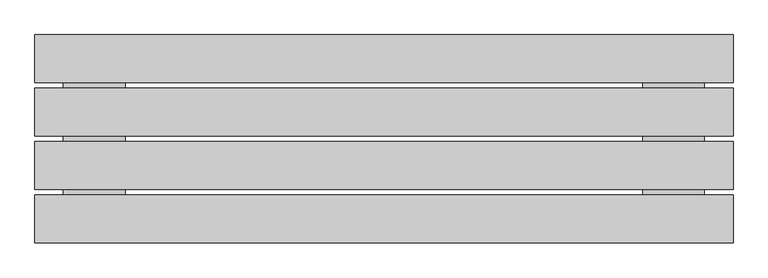
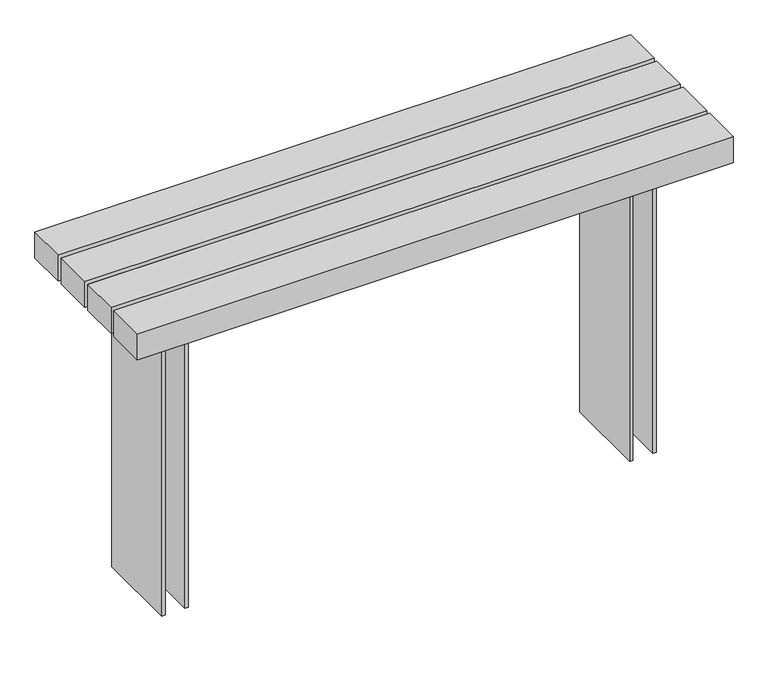
"""IFC4 building model written with IfcOpenShell, lengths in millimetres: furniture geometry."""

import ifcopenshell
import ifcopenshell.guid

model = None  # the IFC model being written
_history = None  # IfcOwnerHistory: only IFC2X3 demands one
_inside = {}  # id of a spatial element -> (the spatial element, [elements in it])
_under = {}  # id of a project, library or spatial element -> (it, [spatial elements below it])
_declared = {}  # id of a project -> (the project, [libraries it declares])
_typed = {}  # id of a type object -> (the type object, [elements of that type])
_made_of = {}  # id of a material, layer set ... -> (it, [elements and type objects made of it])


def new_model(schema):
    """Start an empty IFC model of exactly this schema.

    Asked for "IFC4X3", IfcOpenShell would pick the latest addendum, in which some entities
    have other attributes; the version numbers below select the first issue.
    IFC2X3 requires an IfcOwnerHistory on every rooted entity: one is made here for all.
    """
    global model, _history
    if schema == "IFC4X3":
        model = ifcopenshell.file(schema_version=(4, 3, 0, 0))
    else:
        model = ifcopenshell.file(schema=schema)
    _inside.clear()
    _under.clear()
    _declared.clear()
    _typed.clear()
    _made_of.clear()
    _history = None
    if model.schema == "IFC2X3":
        org = make("IfcOrganization", Name="unknown")
        user = make(
            "IfcPersonAndOrganization",
            ThePerson=make("IfcPerson", FamilyName="unknown"),
            TheOrganization=org,
        )
        app = make(
            "IfcApplication",
            ApplicationDeveloper=org,
            Version="unknown",
            ApplicationFullName="unknown",
            ApplicationIdentifier="unknown",
        )
        _history = make(
            "IfcOwnerHistory",
            OwningUser=user,
            OwningApplication=app,
            ChangeAction="ADDED",
            CreationDate=0,
        )
    return model


def make(cls, **values):
    """One entity of the class cls with the attributes given. An attribute that is None is left unset."""
    return model.create_entity(
        cls, **{name: value for name, value in values.items() if value is not None}
    )


def rooted(cls, **values):
    """An entity with a GlobalId (a new one), such as an element, a storey or a relation."""
    return make(cls, GlobalId=ifcopenshell.guid.new(), OwnerHistory=_history, **values)


def si_unit(unit_type, name, prefix=None):
    """IfcSIUnit, for example si_unit("LENGTHUNIT", "METRE", prefix="MILLI")."""
    return make("IfcSIUnit", UnitType=unit_type, Prefix=prefix, Name=name)


def assignment(units):
    """IfcUnitAssignment: the units of a project."""
    return None if units is None else make("IfcUnitAssignment", Units=units)


def point(xyz):
    """IfcCartesianPoint."""
    return None if xyz is None else make("IfcCartesianPoint", Coordinates=xyz)


def direction(xyz):
    """IfcDirection."""
    return None if xyz is None else make("IfcDirection", DirectionRatios=xyz)


def frame(location, z_axis=None, x_axis=None):
    """IfcAxis2Placement3D, a coordinate frame: its origin and axes. An axis left out is left unset."""
    return make(
        "IfcAxis2Placement3D",
        Location=point(location),
        Axis=direction(z_axis),
        RefDirection=direction(x_axis),
    )


def origin():
    """The frame at (0, 0, 0) with its axes left unset."""
    return frame((0.0, 0.0, 0.0))


def place(relative_to, where):
    """IfcLocalPlacement: puts the frame where relative to a parent placement (None: the world)."""
    return make(
        "IfcLocalPlacement", PlacementRelTo=relative_to, RelativePlacement=where
    )


def context(
    kind, dimensions, precision=None, world=None, true_north=None, identifier=None
):
    """IfcGeometricRepresentationContext, for example the 3D "Model" context."""
    return make(
        "IfcGeometricRepresentationContext",
        ContextIdentifier=identifier,
        ContextType=kind,
        CoordinateSpaceDimension=dimensions,
        Precision=precision,
        WorldCoordinateSystem=world,
        TrueNorth=true_north,
    )


def project(units=None, contexts=None):
    """IfcProject with its units and contexts."""
    return rooted(
        "IfcProject",
        Name="project",
        RepresentationContexts=contexts,
        UnitsInContext=assignment(units),
    )


def spatial(cls, under=None, at=None, **own):
    """A site, building, storey or space (cls), placed at a placement, below another one or the project."""
    s = rooted(cls, ObjectPlacement=at, **own)
    if under is not None:
        _under.setdefault(under.id(), (under, []))[1].append(s)
    return s


def polyline(points):
    """IfcPolyline through the points."""
    return make("IfcPolyline", Points=[point(p) for p in points])


def outline(outer, holes=None, kind="AREA"):
    """IfcArbitraryClosedProfileDef: a profile drawn as a closed curve; with holes, ...WithVoids."""
    if holes is None:
        return make("IfcArbitraryClosedProfileDef", ProfileType=kind, OuterCurve=outer)
    return make(
        "IfcArbitraryProfileDefWithVoids",
        ProfileType=kind,
        OuterCurve=outer,
        InnerCurves=holes,
    )


def extrude(swept, where, along, depth):
    """IfcExtrudedAreaSolid: the profile swept, set in the frame where, extruded along a direction by depth."""
    return make(
        "IfcExtrudedAreaSolid",
        SweptArea=swept,
        Position=where,
        ExtrudedDirection=direction(along),
        Depth=depth,
    )


def faces_of(points, faces, orient=None, outer=None):
    """IfcFace entities. A face is a list of loops; a loop is a list of indices into points, from 0.

    orient and outer hold one flag for each loop. By default every Orientation is true, the
    first loop of a face is its IfcFaceOuterBound and the others are IfcFaceBound.
    """
    made = []
    for i, loops in enumerate(faces):
        bounds = []
        for j, loop in enumerate(loops):
            is_outer = j == 0 if outer is None else outer[i][j]
            bounds.append(
                make(
                    "IfcFaceOuterBound" if is_outer else "IfcFaceBound",
                    Bound=make("IfcPolyLoop", Polygon=[points[k] for k in loop]),
                    Orientation=True if orient is None else orient[i][j],
                )
            )
        made.append(make("IfcFace", Bounds=bounds))
    return made


def faceted_brep(points, faces, orient=None, outer=None, voids=None):
    """IfcFacetedBrep: a solid bounded by flat faces; with voids (closed shells), ...WithVoids."""
    shared = [point(p) for p in points]
    hull = make("IfcClosedShell", CfsFaces=faces_of(shared, faces, orient, outer))
    if voids is None:
        return make("IfcFacetedBrep", Outer=hull)
    return make(
        "IfcFacetedBrepWithVoids",
        Outer=hull,
        Voids=[
            make(cls, CfsFaces=faces_of(shared, fs, o, b)) for cls, fs, o, b in voids
        ],
    )


def shape(context_of_items, identifier, shape_type, items):
    """IfcShapeRepresentation: the items that make up one representation, for example the "Body"."""
    return make(
        "IfcShapeRepresentation",
        ContextOfItems=context_of_items,
        RepresentationIdentifier=identifier,
        RepresentationType=shape_type,
        Items=items,
    )


def source(mapping_origin, context_of_items, identifier, shape_type, items):
    """IfcRepresentationMap: a shape defined once, which mapped items show again and again."""
    return make(
        "IfcRepresentationMap",
        MappingOrigin=mapping_origin,
        MappedRepresentation=shape(context_of_items, identifier, shape_type, items),
    )


def transform(
    local_origin,
    x_axis=None,
    y_axis=None,
    z_axis=None,
    scale=None,
    scale2=None,
    scale3=None,
    uniform=True,
):
    """IfcCartesianTransformationOperator3D, or its non-uniform kind. x_axis, y_axis, z_axis: its Axis1, 2, 3."""
    if uniform:
        return make(
            "IfcCartesianTransformationOperator3D",
            Axis1=direction(x_axis),
            Axis2=direction(y_axis),
            LocalOrigin=point(local_origin),
            Scale=scale,
            Axis3=direction(z_axis),
        )
    return make(
        "IfcCartesianTransformationOperator3DnonUniform",
        Axis1=direction(x_axis),
        Axis2=direction(y_axis),
        LocalOrigin=point(local_origin),
        Scale=scale,
        Axis3=direction(z_axis),
        Scale2=scale2,
        Scale3=scale3,
    )


def mapped(mapping_source, mapping_target):
    """IfcMappedItem: shows the shape of a source again, moved by a transform."""
    return make(
        "IfcMappedItem", MappingSource=mapping_source, MappingTarget=mapping_target
    )


def made_of(thing, what):
    """Note that an element or type object is made of a material, layer set ...; save() writes the relation."""
    if what is not None:
        _made_of.setdefault(what.id(), (what, []))[1].append(thing)
    return thing


def element(
    cls,
    number,
    at=None,
    inside=None,
    cuts=None,
    type_object=None,
    material=None,
    context=None,
    identifier="Body",
    shape_type=None,
    held_by="IfcProductDefinitionShape",
    body=None,
    shapes=None,
    **own,
):
    """One element of the class cls, such as IfcWall. Its Tag is "e" and its number.

    at: its placement. inside: the storey or other place that contains it. cuts: it is an
    opening in that element (IfcRelVoidsElement). A single representation is given by context,
    identifier, shape_type and body (its items); several are given by shapes. held_by: the class
    of the entity that holds the representations. save() writes the other relations.
    """
    e = rooted(cls, Tag="e%d" % number, ObjectPlacement=at, **own)
    if body is not None:
        shapes = [shape(context, identifier, shape_type, body)]
    if shapes is not None:
        e.Representation = make(held_by, Representations=shapes)
    if inside is not None:
        _inside.setdefault(inside.id(), (inside, []))[1].append(e)
    if cuts is not None:
        rooted(
            "IfcRelVoidsElement", RelatingBuildingElement=cuts, RelatedOpeningElement=e
        )
    if type_object is not None:
        _typed.setdefault(type_object.id(), (type_object, []))[1].append(e)
    return made_of(e, material)


def aggregate(whole, parts):
    """IfcRelAggregates: a whole, such as a stair, and the parts it consists of."""
    return rooted("IfcRelAggregates", RelatingObject=whole, RelatedObjects=parts)


def save(model, path):
    """Write the relations noted so far, then the file.

    IfcRelAggregates (storeys below a building ...), IfcRelContainedInSpatialStructure (elements
    in a storey), IfcRelDefinesByType, IfcRelAssociatesMaterial and IfcRelDeclares: one each for
    every whole, place, type object, material and project.
    """
    for whole, parts in _under.values():
        aggregate(whole, parts)
    for where, things in _inside.values():
        rooted(
            "IfcRelContainedInSpatialStructure",
            RelatedElements=things,
            RelatingStructure=where,
        )
    for kind, things in _typed.values():
        rooted("IfcRelDefinesByType", RelatedObjects=things, RelatingType=kind)
    for what, things in _made_of.values():
        rooted("IfcRelAssociatesMaterial", RelatedObjects=things, RelatingMaterial=what)
    for by, libraries in _declared.values():
        rooted("IfcRelDeclares", RelatingContext=by, RelatedDefinitions=libraries)
    model.write(path)


def furniture_cf90da13(model_context):
    return source(origin(), model_context, "Body", "SolidModel", [
        extrude(outline(polyline([(-667.3000391, -171.2111197), (-826.9999569, -171.2111197), (-826.9999569, 240.6902822), (-667.3000391, 240.6902822), (-667.3000391, -171.2111197)])), frame((0.0, 0.0, 656.6990066), z_axis=(0.0, 0.0, 1.0), x_axis=(1.0, 0.0, 0.0)), (0.0, 0.0, 1.0), 11.1049083),
        extrude(outline(polyline([(825.0012185, -171.2111197), (667.3000391, -171.2111197), (667.3000391, 240.6902822), (825.0012185, 240.6902822), (825.0012185, -171.2111197)])), frame((0.0, 0.0, 656.6990066), z_axis=(0.0, 0.0, 1.0), x_axis=(1.0, 0.0, 0.0)), (0.0, 0.0, 1.0), 11.1049083),
        extrude(outline(polyline([(-677.0002754, -5.0), (-737.0003342, -5.0), (-737.0003342, 5.0), (-677.0002754, 5.0), (-677.0002754, -5.0)])), frame((0.0, 0.0, -180.0), z_axis=(0.0, 0.0, 1.0), x_axis=(1.0, 0.0, 0.0)), (0.0, 0.0, 1.0), 120.0),
        extrude(outline(polyline([(737.0003342, -5.0), (677.0002754, -5.0), (677.0002754, 5.0), (737.0003342, 5.0), (737.0003342, -5.0)])), frame((0.0, 0.0, -180.0), z_axis=(0.0, 0.0, 1.0), x_axis=(1.0, 0.0, 0.0)), (0.0, 0.0, 1.0), 120.0),
        extrude(outline(polyline([(900.0, 268.4998398), (900.0, 145.4998398), (-900.0, 145.4998398), (-900.0, 268.4998398), (900.0, 268.4998398)])), frame((0.0, 0.0, 656.6990066), z_axis=(0.0, 0.0, 1.0), x_axis=(1.0, 0.0, 0.0)), (0.0, 0.0, 1.0), 83.1049466),
        extrude(outline(polyline([(900.0, -145.4826926), (900.0, -268.4826926), (-900.0, -268.4826926), (-900.0, -145.4826926), (900.0, -145.4826926)])), frame((0.0, 0.0, 656.6990066), z_axis=(0.0, 0.0, 1.0), x_axis=(1.0, 0.0, 0.0)), (0.0, 0.0, 1.0), 83.1049466),
        extrude(outline(polyline([(739.8039532, 900.0000373), (739.8039532, -900.0), (656.6990066, -900.0), (656.6990066, 900.0000373), (739.8039532, 900.0000373)]), holes=[polyline([(727.8039532, -888.0), (727.8039532, 888.0), (668.6990066, 888.0), (668.6990066, -888.0), (727.8039532, -888.0)])]), frame((0.0, -130.5001671, 0.0), z_axis=(0.0, 1.0, 0.0), x_axis=(0.0, 0.0, 1.0)), (0.0, 0.0, 1.0), 123.0000435),
        extrude(outline(polyline([(739.8039532, 900.0000373), (739.8039532, -900.0), (656.6990066, -900.0), (656.6990066, 900.0000373), (739.8039532, 900.0000373)]), holes=[polyline([(727.8039532, -888.0), (727.8039532, 888.0), (668.6990066, 888.0), (668.6990066, -888.0), (727.8039532, -888.0)])]), frame((0.0, 7.4998329, 0.0), z_axis=(0.0, 1.0, 0.0), x_axis=(0.0, 0.0, 1.0)), (0.0, 0.0, 1.0), 123.0000435),
        faceted_brep([(-677.0002754, -5.0, -60.0), (-737.0003342, -5.0, -60.0), (-737.0003342, -5.0, -180.0), (-677.0002754, -5.0, -180.0), (-677.0002754, 5.0, -180.0), (-737.0003342, 5.0, -180.0), (-737.0003342, 5.0, -60.0), (-677.0002754, 5.0, -60.0), (-747.0003342, -130.5001671, -300.0), (-737.0003342, -130.5001671, -300.0), (-737.0003342, -130.5001671, 656.6990066), (-747.0003342, -130.5001671, 656.6990066), (-667.0002754, -130.5001671, -300.0), (-667.0002754, -130.5001671, 656.6990066), (-677.0002754, -130.5001671, 656.6990066), (-677.0002754, -130.5001671, -300.0), (-667.0002754, 130.4998764, -300.0), (-677.0002754, 130.4998764, -300.0), (-677.0002754, 130.4998764, 656.6990066), (-667.0002754, 130.4998764, 656.6990066), (-747.0003342, 130.4998764, -300.0), (-747.0003342, 130.4998764, 656.6990066), (-737.0003342, 130.4998764, 656.6990066), (-737.0003342, 130.4998764, -300.0)], [[[0, 1, 2, 3]], [[4, 5, 6, 7]], [[1, 0, 7, 6]], [[3, 2, 5, 4]], [[8, 9, 10, 11]], [[12, 13, 14, 15]], [[16, 17, 18, 19]], [[20, 21, 22, 23]], [[8, 11, 21, 20]], [[13, 12, 16, 19]], [[15, 14, 18, 17], [0, 3, 4, 7]], [[10, 9, 23, 22], [2, 1, 6, 5]], [[11, 10, 22, 21]], [[9, 8, 20, 23]], [[12, 15, 17, 16]], [[14, 13, 19, 18]]]),
        faceted_brep([(677.0002754, -5.0, -180.0), (737.0003342, -5.0, -180.0), (737.0003342, -5.0, -60.0), (677.0002754, -5.0, -60.0), (677.0002754, 5.0, -60.0), (737.0003342, 5.0, -60.0), (737.0003342, 5.0, -180.0), (677.0002754, 5.0, -180.0), (747.0003342, -130.5001671, -300.0), (747.0003342, -130.5001671, 656.6990066), (737.0003342, -130.5001671, 656.6990066), (737.0003342, -130.5001671, -300.0), (667.0002754, -130.5001671, -300.0), (677.0002754, -130.5001671, -300.0), (677.0002754, -130.5001671, 656.6990066), (667.0002754, -130.5001671, 656.6990066), (747.0003342, 130.4998764, -300.0), (737.0003342, 130.4998764, -300.0), (737.0003342, 130.4998764, 656.6990066), (747.0003342, 130.4998764, 656.6990066), (667.0002754, 130.4998764, -300.0), (667.0002754, 130.4998764, 656.6990066), (677.0002754, 130.4998764, 656.6990066), (677.0002754, 130.4998764, -300.0)], [[[0, 1, 2, 3]], [[4, 5, 6, 7]], [[8, 9, 10, 11]], [[12, 13, 14, 15]], [[16, 17, 18, 19]], [[20, 21, 22, 23]], [[9, 8, 16, 19]], [[10, 9, 19, 18]], [[11, 10, 18, 17], [2, 1, 6, 5]], [[8, 11, 17, 16]], [[13, 12, 20, 23]], [[14, 13, 23, 22], [0, 3, 4, 7]], [[15, 14, 22, 21]], [[12, 15, 21, 20]], [[1, 0, 7, 6]], [[3, 2, 5, 4]]]),
    ])


if __name__ == "__main__":
    model = new_model("IFC4")
    model_context = context("Model", 3, world=origin())
    ifc_project = project(units=[si_unit("LENGTHUNIT", "METRE", prefix="MILLI")], contexts=[model_context])
    site = spatial("IfcSite", under=ifc_project)
    building = spatial("IfcBuilding", under=site)
    placement = place(None, origin())
    furniture_shape = furniture_cf90da13(model_context)
    element("IfcFurniture", 1, at=placement, inside=building, context=model_context, shape_type="MappedRepresentation", body=[
        mapped(furniture_shape, transform((0.0, 0.0, 0.0), x_axis=(1.0, 0.0, 0.0), y_axis=(0.0, 1.0, 0.0), z_axis=(0.0, 0.0, 1.0))),
    ])
    save(model, "model.ifc")
